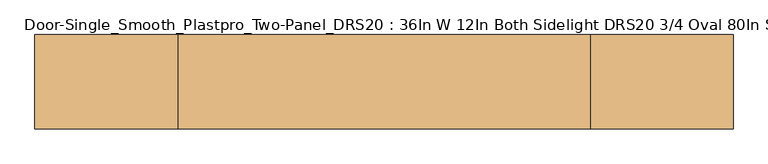
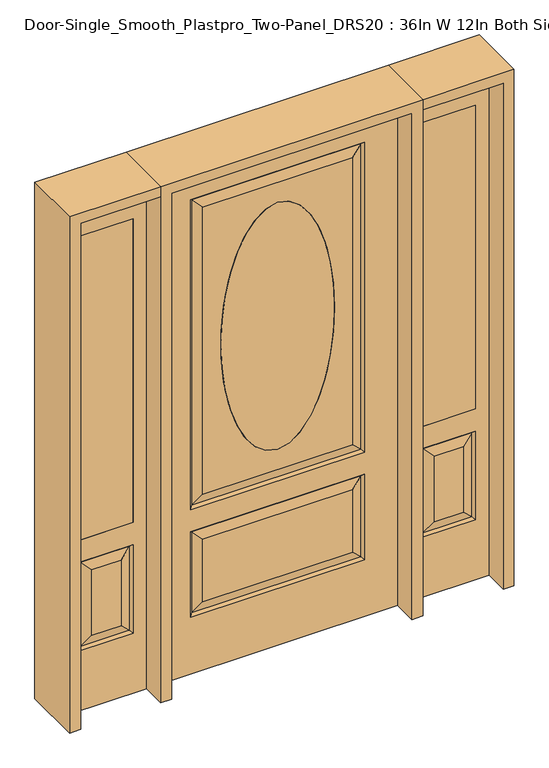
"""IFC4 building model written with IfcOpenShell, lengths in millimetres: door geometry, Door-Single_Smooth_Plastpro_Two-Panel_DRS20 : 36In W 12In Both Sidelight DRS20 3/4 Oval 80In Smooth."""

from ifc_helpers import new_model, si_unit, point, frame, origin, place, context, project, spatial, polyline, ellipse_curve, trimmed, outline, extrude, faceted_brep, source, transform, mapped, element, save
from ifc_brep_helpers import plane_surface, extruded_surface, advanced_brep


def door_single_smooth_plastpro_two_panel_drs20_36in_w_12in_both_740888fa(model_context):
    return source(origin(), model_context, "Body", "SolidModel", [
        extrude(outline(polyline([(549.275, -20.6375), (549.275, 20.6375), (752.475, 20.6375), (752.475, -20.6375), (549.275, -20.6375)])), frame((0.0, 0.0, 685.8), z_axis=(0.0, 0.0, 1.0), x_axis=(1.0, 0.0, 0.0)), (0.0, 0.0, 1.0), 1219.2),
        faceted_brep([(803.275, -20.6375, 0.0), (803.275, -20.6375, 2032.0), (498.475, -20.6375, 2032.0), (498.475, -20.6375, 0.0), (549.275, -20.6375, 685.8), (549.275, -20.6375, 1905.0), (752.475, -20.6375, 1905.0), (752.475, -20.6375, 685.8), (549.275, -20.6375, 241.3), (549.275, -20.6375, 596.9), (752.475, -20.6375, 596.9), (752.475, -20.6375, 241.3), (706.4375, -20.6375, 287.3375), (706.4375, -20.6375, 550.8625), (595.3125, -20.6375, 550.8625), (595.3125, -20.6375, 287.3375), (498.475, 20.6375, 0.0), (803.275, 20.6375, 0.0), (498.475, 20.6375, 2032.0), (803.275, 20.6375, 2032.0), (558.2552561, -11.6572439, 250.2802561), (743.4947439, -11.6572439, 250.2802561), (743.4947439, -11.6572439, 587.9197439), (558.2552561, -11.6572439, 587.9197439), (752.475, 20.6375, 685.8), (549.275, 20.6375, 685.8), (752.475, 20.6375, 1905.0), (549.275, 20.6375, 1905.0), (752.475, 20.6375, 241.3), (752.475, 20.6375, 596.9), (549.275, 20.6375, 596.9), (549.275, 20.6375, 241.3), (595.3125, 20.6375, 287.3375), (595.3125, 20.6375, 550.8625), (706.4375, 20.6375, 550.8625), (706.4375, 20.6375, 287.3375), (558.2552561, 11.6572439, 250.2802561), (743.4947439, 11.6572439, 250.2802561), (558.2552561, 11.6572439, 587.9197439), (743.4947439, 11.6572439, 587.9197439)], [[[0, 1, 2, 3], [4, 5, 6, 7], [8, 9, 10, 11]], [[12, 13, 14, 15]], [[3, 16, 17, 0]], [[2, 18, 16, 3]], [[0, 17, 19, 1]], [[20, 8, 11, 21]], [[11, 10, 22, 21]], [[10, 9, 23, 22]], [[20, 23, 9, 8]], [[21, 12, 15, 20]], [[15, 14, 23, 20]], [[22, 23, 14, 13]], [[21, 22, 13, 12]], [[4, 7, 24, 25]], [[7, 6, 26, 24]], [[25, 27, 5, 4]], [[17, 16, 18, 19], [24, 26, 27, 25], [28, 29, 30, 31]], [[32, 33, 34, 35]], [[28, 31, 36, 37]], [[31, 30, 38, 36]], [[39, 38, 30, 29]], [[37, 39, 29, 28]], [[36, 32, 35, 37]], [[35, 34, 39, 37]], [[34, 33, 38, 39]], [[36, 38, 33, 32]], [[1, 19, 18, 2]], [[27, 26, 6, 5]]]),
        extrude(outline(polyline([(-549.275, -20.6375), (-752.475, -20.6375), (-752.475, 20.6375), (-549.275, 20.6375), (-549.275, -20.6375)])), frame((0.0, 0.0, 685.8), z_axis=(0.0, 0.0, 1.0), x_axis=(1.0, 0.0, 0.0)), (0.0, 0.0, 1.0), 1219.2),
        faceted_brep([(-803.275, -20.6375, 0.0), (-498.475, -20.6375, 0.0), (-498.475, -20.6375, 2032.0), (-803.275, -20.6375, 2032.0), (-549.275, -20.6375, 685.8), (-752.475, -20.6375, 685.8), (-752.475, -20.6375, 1905.0), (-549.275, -20.6375, 1905.0), (-549.275, -20.6375, 241.3), (-752.475, -20.6375, 241.3), (-752.475, -20.6375, 596.9), (-549.275, -20.6375, 596.9), (-706.4375, -20.6375, 287.3375), (-595.3125, -20.6375, 287.3375), (-595.3125, -20.6375, 550.8625), (-706.4375, -20.6375, 550.8625), (-803.275, 20.6375, 0.0), (-498.475, 20.6375, 0.0), (-498.475, 20.6375, 2032.0), (-803.275, 20.6375, 2032.0), (-558.2552561, -11.6572439, 250.2802561), (-743.4947439, -11.6572439, 250.2802561), (-743.4947439, -11.6572439, 587.9197439), (-558.2552561, -11.6572439, 587.9197439), (-549.275, 20.6375, 685.8), (-752.475, 20.6375, 685.8), (-752.475, 20.6375, 1905.0), (-549.275, 20.6375, 1905.0), (-752.475, 20.6375, 241.3), (-549.275, 20.6375, 241.3), (-549.275, 20.6375, 596.9), (-752.475, 20.6375, 596.9), (-595.3125, 20.6375, 287.3375), (-706.4375, 20.6375, 287.3375), (-706.4375, 20.6375, 550.8625), (-595.3125, 20.6375, 550.8625), (-743.4947439, 11.6572439, 250.2802561), (-558.2552561, 11.6572439, 250.2802561), (-558.2552561, 11.6572439, 587.9197439), (-743.4947439, 11.6572439, 587.9197439)], [[[0, 1, 2, 3], [4, 5, 6, 7], [8, 9, 10, 11]], [[12, 13, 14, 15]], [[1, 0, 16, 17]], [[2, 1, 17, 18]], [[0, 3, 19, 16]], [[20, 21, 9, 8]], [[9, 21, 22, 10]], [[10, 22, 23, 11]], [[20, 8, 11, 23]], [[21, 20, 13, 12]], [[13, 20, 23, 14]], [[22, 15, 14, 23]], [[21, 12, 15, 22]], [[4, 24, 25, 5]], [[5, 25, 26, 6]], [[24, 4, 7, 27]], [[16, 19, 18, 17], [25, 24, 27, 26], [28, 29, 30, 31]], [[32, 33, 34, 35]], [[28, 36, 37, 29]], [[29, 37, 38, 30]], [[39, 31, 30, 38]], [[36, 28, 31, 39]], [[37, 36, 33, 32]], [[33, 36, 39, 34]], [[34, 39, 38, 35]], [[37, 32, 35, 38]], [[3, 2, 18, 19]], [[27, 7, 6, 26]]]),
        advanced_brep(
        [(0.0, -20.6375, 1778.0), (0.0, -20.6375, 787.4), (0.0, 20.6375, 1778.0), (0.0, 20.6375, 787.4)],
        [
            (0, 1, ellipse_curve(frame((0.0, -20.6375, 1282.7), z_axis=(0.0, -1.0, 0.0), x_axis=(0.0, 0.0, -1.0)), 495.3, 215.9)),
            (1, 0, ellipse_curve(frame((0.0, -20.6375, 1282.7), z_axis=(0.0, -1.0, 0.0), x_axis=(0.0, 0.0, -1.0)), 495.3, 215.9)),
            (0, 2),
            (2, 3, ellipse_curve(frame((0.0, 20.6375, 1282.7), z_axis=(0.0, -1.0, 0.0), x_axis=(0.0, 0.0, -1.0)), 495.3, 215.9)),
            (3, 1),
            (3, 2, ellipse_curve(frame((0.0, 20.6375, 1282.7), z_axis=(0.0, -1.0, 0.0), x_axis=(0.0, 0.0, -1.0)), 495.3, 215.9)),
        ],
        [
            plane_surface(frame((0.0, -20.6375, 787.4), z_axis=(0.0, -1.0, 0.0), x_axis=(1.0, 0.0, 0.0))),
            extruded_surface(trimmed(ellipse_curve(frame((0.0, 61.9125, 1282.7), z_axis=(0.0, -1.0, 0.0), x_axis=(0.0, 0.0, -1.0)), 495.3, 215.9), [point((0.0, 61.9125, 1778.0))], [point((0.0, 61.9125, 787.4))], True, "CARTESIAN"), (0.0, -41.275000000000006, 0.0), 41.275000000000006),
            extruded_surface(trimmed(ellipse_curve(frame((0.0, 61.9125, 1282.7), z_axis=(0.0, -1.0, 0.0), x_axis=(0.0, 0.0, -1.0)), 495.3, 215.9), [point((0.0, 61.9125, 787.4))], [point((0.0, 61.9125, 1778.0))], True, "CARTESIAN"), (0.0, -41.275000000000006, 0.0), 41.275000000000006),
            plane_surface(frame((0.0, 20.6375, 787.4), z_axis=(0.0, 1.0, 0.0), x_axis=(-1.0, 0.0, 0.0))),
        ],
        [
            (0, [[1, 2]]),
            (1, [[-1, 3, 4, 5]]),
            (2, [[-2, -5, 6, -3]]),
            (3, [[-6, -4]]),
        ],
    ),
        advanced_brep(
        [(321.2197439, -11.6572439, 237.5802561), (-321.2197439, -11.6572439, 237.5802561), (-330.2, -20.6375, 228.6), (330.2, -20.6375, 228.6), (-321.2197439, -11.6572439, 562.5197439), (-330.2, -20.6375, 571.5), (321.2197439, -11.6572439, 562.5197439), (330.2, -20.6375, 571.5), (457.2, 20.6375, 0.0), (457.2, -20.6375, 0.0), (-457.2, -20.6375, 0.0), (-457.2, 20.6375, 0.0), (457.2, 20.6375, 2032.0), (457.2, -20.6375, 2032.0), (-284.1625, -20.6375, 274.6375), (284.1625, -20.6375, 274.6375), (284.1625, -20.6375, 525.4625), (-284.1625, -20.6375, 525.4625), (-284.1625, -20.6375, 706.4375), (284.1625, -20.6375, 706.4375), (284.1625, -20.6375, 1858.9625), (-284.1625, -20.6375, 1858.9625), (0.0, -20.6375, 787.4), (0.0, -20.6375, 1778.0), (-457.2, -20.6375, 2032.0), (330.2, -20.6375, 660.4), (-330.2, -20.6375, 660.4), (-330.2, -20.6375, 1905.0), (330.2, -20.6375, 1905.0), (-457.2, 20.6375, 2032.0), (-284.1625, 20.6375, 1858.9625), (284.1625, 20.6375, 1858.9625), (284.1625, 20.6375, 706.4375), (-284.1625, 20.6375, 706.4375), (0.0, 20.6375, 1778.0), (0.0, 20.6375, 787.4), (-284.1625, 20.6375, 525.4625), (284.1625, 20.6375, 525.4625), (284.1625, 20.6375, 274.6375), (-284.1625, 20.6375, 274.6375), (330.2, 20.6375, 571.5), (-330.2, 20.6375, 571.5), (-330.2, 20.6375, 228.6), (330.2, 20.6375, 228.6), (330.2, 20.6375, 1905.0), (-330.2, 20.6375, 1905.0), (-330.2, 20.6375, 660.4), (330.2, 20.6375, 660.4), (-321.2197439, 11.6572439, 1896.0197439), (-321.2197439, 11.6572439, 669.3802561), (321.2197439, 11.6572439, 669.3802561), (321.2197439, 11.6572439, 1896.0197439), (321.2197439, 11.6572439, 562.5197439), (-321.2197439, 11.6572439, 562.5197439), (-321.2197439, 11.6572439, 237.5802561), (321.2197439, 11.6572439, 237.5802561), (321.2197439, -11.6572439, 669.3802561), (-321.2197439, -11.6572439, 669.3802561), (-321.2197439, -11.6572439, 1896.0197439), (321.2197439, -11.6572439, 1896.0197439)],
        [
            (0, 1),
            (1, 2),
            (2, 3),
            (3, 0),
            (1, 4),
            (4, 5),
            (5, 2),
            (4, 6),
            (6, 7),
            (7, 5),
            (3, 7),
            (6, 0),
            (8, 9),
            (9, 10),
            (10, 11),
            (11, 8),
            (12, 13),
            (13, 9),
            (8, 12),
            (14, 15),
            (15, 16),
            (16, 17),
            (17, 14),
            (18, 19),
            (19, 20),
            (20, 21),
            (21, 18),
            (22, 23, ellipse_curve(frame((0.0, -20.6375, 1282.7), z_axis=(0.0, 1.0, 0.0), x_axis=(0.0, 0.0, -1.0)), 495.3, 215.9)),
            (23, 22, ellipse_curve(frame((0.0, -20.6375, 1282.7), z_axis=(0.0, 1.0, 0.0), x_axis=(0.0, 0.0, -1.0)), 495.3, 215.9)),
            (13, 24),
            (24, 10),
            (25, 26),
            (26, 27),
            (27, 28),
            (28, 25),
            (24, 29),
            (29, 11),
            (30, 31),
            (31, 32),
            (32, 33),
            (33, 30),
            (34, 35, ellipse_curve(frame((0.0, 20.6375, 1282.7), z_axis=(0.0, -1.0, 0.0), x_axis=(0.0, 0.0, -1.0)), 495.3, 215.9)),
            (35, 34, ellipse_curve(frame((0.0, 20.6375, 1282.7), z_axis=(0.0, -1.0, 0.0), x_axis=(0.0, 0.0, -1.0)), 495.3, 215.9)),
            (36, 37),
            (37, 38),
            (38, 39),
            (39, 36),
            (29, 12),
            (40, 41),
            (41, 42),
            (42, 43),
            (43, 40),
            (44, 45),
            (45, 46),
            (46, 47),
            (47, 44),
            (45, 48),
            (48, 49),
            (49, 46),
            (49, 50),
            (50, 47),
            (51, 44),
            (50, 51),
            (31, 51),
            (50, 32),
            (49, 33),
            (48, 30),
            (52, 53),
            (53, 41),
            (40, 52),
            (53, 54),
            (54, 42),
            (54, 55),
            (55, 43),
            (55, 52),
            (52, 37),
            (36, 53),
            (55, 38),
            (54, 39),
            (22, 35),
            (34, 23),
            (56, 57),
            (57, 26),
            (25, 56),
            (57, 58),
            (58, 27),
            (28, 59),
            (59, 56),
            (56, 19),
            (18, 57),
            (59, 20),
            (21, 58),
            (0, 15),
            (14, 1),
            (6, 16),
            (4, 17),
            (58, 59),
            (51, 48),
        ],
        [
            plane_surface(frame((330.2, -20.6375, 228.6), z_axis=(0.0, -0.7071067811865489, 0.7071067811865462), x_axis=(-1.0, 0.0, 0.0))),
            plane_surface(frame((-330.2, -20.6375, 228.6), z_axis=(0.7071067811865462, -0.7071067811865489, 0.0), x_axis=(0.0, 0.0, 1.0))),
            plane_surface(frame((-330.2, -20.6375, 571.5), z_axis=(0.0, -0.7071067811865489, -0.7071067811865462), x_axis=(1.0, 0.0, 0.0))),
            plane_surface(frame((330.2, -20.6375, 571.5), z_axis=(-0.7071067811865462, -0.7071067811865489, 0.0), x_axis=(0.0, 0.0, -1.0))),
            plane_surface(frame((-457.2, 20.6375, 0.0), z_axis=(0.0, 0.0, -1.0), x_axis=(1.0, 0.0, 0.0))),
            plane_surface(frame((457.2, -20.6375, 2032.0), z_axis=(1.0, 0.0, 0.0), x_axis=(0.0, 0.0, -1.0))),
            plane_surface(frame((-457.2, -20.6375, 2032.0), z_axis=(0.0, -1.0, 0.0), x_axis=(0.0, 0.0, -1.0))),
            plane_surface(frame((-457.2, 20.6375, 2032.0), z_axis=(-1.0, 0.0, 0.0), x_axis=(0.0, 0.0, -1.0))),
            plane_surface(frame((457.2, 20.6375, 2032.0), z_axis=(0.0, 1.0, 0.0), x_axis=(0.0, 0.0, -1.0))),
            plane_surface(frame((-330.2, 20.6375, 1905.0), z_axis=(0.7071067811865436, 0.7071067811865516, 0.0), x_axis=(0.0, 0.0, -1.0))),
            plane_surface(frame((-330.2, 20.6375, 660.4), z_axis=(0.0, 0.7071067811865516, 0.7071067811865436), x_axis=(1.0, 0.0, 0.0))),
            plane_surface(frame((330.2, 20.6375, 660.4), z_axis=(-0.7071067811865436, 0.7071067811865516, 0.0), x_axis=(0.0, 0.0, 1.0))),
            plane_surface(frame((321.2197439, 11.6572439, 669.3802561), z_axis=(0.2355178326930706, 0.9718700275672457, 0.0), x_axis=(0.0, 0.0, 1.0))),
            plane_surface(frame((-321.2197439, 11.6572439, 669.3802561), z_axis=(0.0, 0.9718700275672457, -0.2355178326930706), x_axis=(1.0, 0.0, 0.0))),
            plane_surface(frame((-321.2197439, 11.6572439, 1896.0197439), z_axis=(-0.2355178326930706, 0.9718700275672457, 0.0), x_axis=(0.0, 0.0, -1.0))),
            plane_surface(frame((330.2, 20.6375, 571.5), z_axis=(0.0, 0.7071067811865542, -0.7071067811865409), x_axis=(-1.0, 0.0, 0.0))),
            plane_surface(frame((-330.2, 20.6375, 571.5), z_axis=(0.7071067811865409, 0.7071067811865542, 0.0), x_axis=(0.0, 0.0, -1.0))),
            plane_surface(frame((-330.2, 20.6375, 228.6), z_axis=(0.0, 0.7071067811865542, 0.7071067811865409), x_axis=(1.0, 0.0, 0.0))),
            plane_surface(frame((330.2, 20.6375, 228.6), z_axis=(-0.7071067811865409, 0.7071067811865542, 0.0), x_axis=(0.0, 0.0, 1.0))),
            plane_surface(frame((321.2197439, 11.6572439, 562.5197439), z_axis=(0.0, 0.9718700275672457, 0.2355178326930706), x_axis=(-1.0, 0.0, 0.0))),
            plane_surface(frame((321.2197439, 11.6572439, 237.5802561), z_axis=(0.2355178326930706, 0.9718700275672457, 0.0), x_axis=(0.0, 0.0, 1.0))),
            plane_surface(frame((-321.2197439, 11.6572439, 237.5802561), z_axis=(0.0, 0.9718700275672457, -0.2355178326930706), x_axis=(1.0, 0.0, 0.0))),
            plane_surface(frame((-321.2197439, 11.6572439, 562.5197439), z_axis=(-0.2355178326930706, 0.9718700275672457, 0.0), x_axis=(0.0, 0.0, -1.0))),
            extruded_surface(trimmed(ellipse_curve(frame((0.0, 20.6375, 1282.7), z_axis=(0.0, -1.0, 0.0), x_axis=(0.0, 0.0, -1.0)), 495.3, 215.9), [point((0.0, 20.6375, 1778.0))], [point((0.0, 20.6375, 787.4))], True, "CARTESIAN"), (0.0, 41.275000000000006, 0.0), 41.275000000000006),
            extruded_surface(trimmed(ellipse_curve(frame((0.0, 20.6375, 1282.7), z_axis=(0.0, -1.0, 0.0), x_axis=(0.0, 0.0, -1.0)), 495.3, 215.9), [point((0.0, 20.6375, 787.4))], [point((0.0, 20.6375, 1778.0))], True, "CARTESIAN"), (0.0, 41.275000000000006, 0.0), 41.275000000000006),
            plane_surface(frame((330.2, -20.6375, 660.4), z_axis=(0.0, -0.7071067811865466, 0.7071067811865486), x_axis=(-1.0, 0.0, 0.0))),
            plane_surface(frame((-330.2, -20.6375, 660.4), z_axis=(0.7071067811865486, -0.7071067811865466, 0.0), x_axis=(0.0, 0.0, 1.0))),
            plane_surface(frame((330.2, -20.6375, 1905.0), z_axis=(-0.7071067811865486, -0.7071067811865466, 0.0), x_axis=(0.0, 0.0, -1.0))),
            plane_surface(frame((321.2197439, -11.6572439, 669.3802561), z_axis=(0.0, -0.9718700275672454, -0.23551783269307167), x_axis=(-1.0, 0.0, 0.0))),
            plane_surface(frame((321.2197439, -11.6572439, 1896.0197439), z_axis=(0.23551783269307167, -0.9718700275672454, 0.0), x_axis=(0.0, 0.0, -1.0))),
            plane_surface(frame((-321.2197439, -11.6572439, 669.3802561), z_axis=(-0.23551783269307167, -0.9718700275672454, 0.0), x_axis=(0.0, 0.0, 1.0))),
            plane_surface(frame((321.2197439, -11.6572439, 237.5802561), z_axis=(0.0, -0.9718700275672454, -0.2355178326930719), x_axis=(-1.0, 0.0, 0.0))),
            plane_surface(frame((321.2197439, -11.6572439, 562.5197439), z_axis=(0.2355178326930719, -0.9718700275672454, 0.0), x_axis=(0.0, 0.0, -1.0))),
            plane_surface(frame((-321.2197439, -11.6572439, 562.5197439), z_axis=(0.0, -0.9718700275672454, 0.2355178326930719), x_axis=(1.0, 0.0, 0.0))),
            plane_surface(frame((-321.2197439, -11.6572439, 237.5802561), z_axis=(-0.2355178326930719, -0.9718700275672454, 0.0), x_axis=(0.0, 0.0, 1.0))),
            plane_surface(frame((-457.2, 20.6375, 2032.0), z_axis=(0.0, 0.0, 1.0), x_axis=(-1.0, 0.0, 0.0))),
            plane_surface(frame((-330.2, -20.6375, 1905.0), z_axis=(0.0, -0.7071067811865466, -0.7071067811865486), x_axis=(1.0, 0.0, 0.0))),
            plane_surface(frame((-321.2197439, -11.6572439, 1896.0197439), z_axis=(0.0, -0.9718700275672454, 0.23551783269307167), x_axis=(1.0, 0.0, 0.0))),
            plane_surface(frame((330.2, 20.6375, 1905.0), z_axis=(0.0, 0.7071067811865516, -0.7071067811865436), x_axis=(-1.0, 0.0, 0.0))),
            plane_surface(frame((321.2197439, 11.6572439, 1896.0197439), z_axis=(0.0, 0.9718700275672457, 0.2355178326930706), x_axis=(-1.0, 0.0, 0.0))),
        ],
        [
            (0, [[1, 2, 3, 4]]),
            (1, [[-2, 5, 6, 7]]),
            (2, [[-6, 8, 9, 10]]),
            (3, [[-4, 11, -9, 12]]),
            (4, [[13, 14, 15, 16]]),
            (5, [[17, 18, -13, 19]]),
            (6, [[20, 21, 22, 23]]),
            (6, [[24, 25, 26, 27], [28, 29]]),
            (6, [[30, 31, -14, -18], [-3, -7, -10, -11], [32, 33, 34, 35]]),
            (7, [[36, 37, -15, -31]]),
            (8, [[38, 39, 40, 41], [42, 43]]),
            (8, [[44, 45, 46, 47]]),
            (8, [[48, -19, -16, -37], [49, 50, 51, 52], [53, 54, 55, 56]]),
            (9, [[57, 58, 59, -54]]),
            (10, [[-59, 60, 61, -55]]),
            (11, [[62, -56, -61, 63]]),
            (12, [[64, -63, 65, -39]]),
            (13, [[66, -40, -65, -60]]),
            (14, [[67, -41, -66, -58]]),
            (15, [[68, 69, -49, 70]]),
            (16, [[-69, 71, 72, -50]]),
            (17, [[-72, 73, 74, -51]]),
            (18, [[-70, -52, -74, 75]]),
            (19, [[-68, 76, -44, 77]]),
            (20, [[-76, -75, 78, -45]]),
            (21, [[79, -46, -78, -73]]),
            (22, [[-77, -47, -79, -71]]),
            (23, [[80, -42, 81, -28]]),
            (24, [[-80, -29, -81, -43]]),
            (25, [[82, 83, -32, 84]]),
            (26, [[-83, 85, 86, -33]]),
            (27, [[-84, -35, 87, 88]]),
            (28, [[-82, 89, -24, 90]]),
            (29, [[-89, -88, 91, -25]]),
            (30, [[-90, -27, 92, -85]]),
            (31, [[-1, 93, -20, 94]]),
            (32, [[-93, -12, 95, -21]]),
            (33, [[96, -22, -95, -8]]),
            (34, [[-94, -23, -96, -5]]),
            (35, [[-48, -36, -30, -17]]),
            (36, [[-86, 97, -87, -34]]),
            (37, [[-92, -26, -91, -97]]),
            (38, [[98, -57, -53, -62]]),
            (39, [[-98, -64, -38, -67]]),
        ],
    ),
        extrude(outline(polyline([(2032.0, -498.475), (2073.275, -498.475), (2073.275, -844.55), (0.0, -844.55), (0.0, -803.275), (2032.0, -803.275), (2032.0, -498.475)])), frame((0.0, -114.3, 0.0), z_axis=(0.0, 1.0, 0.0), x_axis=(0.0, 0.0, 1.0)), (0.0, 0.0, 1.0), 228.6),
        extrude(outline(polyline([(2073.275, -498.475), (0.0, -498.475), (0.0, -457.2), (2032.0, -457.2), (2032.0, 457.2), (0.0, 457.2), (0.0, 498.475), (2073.275, 498.475), (2073.275, -498.475)])), frame((0.0, -114.3, 0.0), z_axis=(0.0, 1.0, 0.0), x_axis=(0.0, 0.0, 1.0)), (0.0, 0.0, 1.0), 228.6),
        extrude(outline(polyline([(0.0, 803.275), (0.0, 844.55), (2073.275, 844.55), (2073.275, 498.475), (2032.0, 498.475), (2032.0, 803.275), (0.0, 803.275)])), frame((0.0, -114.3, 0.0), z_axis=(0.0, 1.0, 0.0), x_axis=(0.0, 0.0, 1.0)), (0.0, 0.0, 1.0), 228.6),
    ])


if __name__ == "__main__":
    model = new_model("IFC4")
    model_context = context("Model", 3, world=origin())
    ifc_project = project(units=[si_unit("LENGTHUNIT", "METRE", prefix="MILLI")], contexts=[model_context])
    site = spatial("IfcSite", under=ifc_project)
    building = spatial("IfcBuilding", under=site)
    placement = place(None, origin())
    door_single_smooth_plastpro_two_panel_drs20_36in_w_12in_both_shape = door_single_smooth_plastpro_two_panel_drs20_36in_w_12in_both_740888fa(model_context)
    element("IfcDoor", 1, ObjectType="Door-Single_Smooth_Plastpro_Two-Panel_DRS20 : 36In W 12In Both Sidelight DRS20 3/4 Oval 80In Smooth", at=placement, inside=building, context=model_context, shape_type="MappedRepresentation", body=[
        mapped(door_single_smooth_plastpro_two_panel_drs20_36in_w_12in_both_shape, transform((0.0, 0.0, 0.0), x_axis=(1.0, 0.0, 0.0), y_axis=(0.0, 1.0, 0.0), z_axis=(0.0, 0.0, 1.0))),
    ])
    save(model, "model.ifc")
